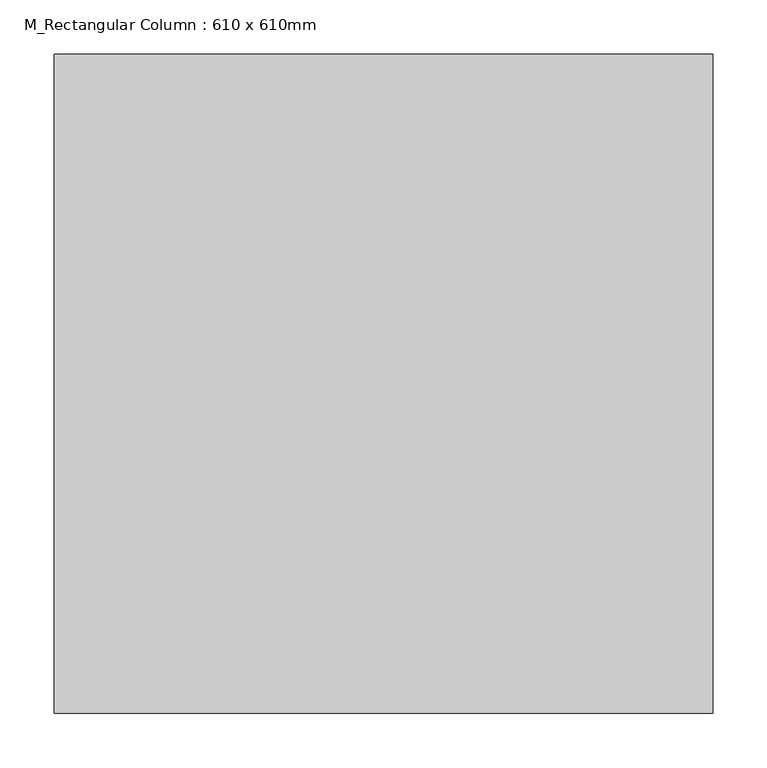
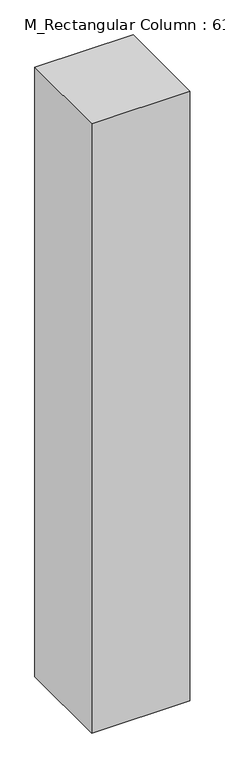
"""IFC4 building model written with IfcOpenShell, lengths in millimetres: column geometry, M_Rectangular Column : 610 x 610mm."""

import ifcopenshell
import ifcopenshell.guid

model = None  # the IFC model being written
_history = None  # IfcOwnerHistory: only IFC2X3 demands one
_inside = {}  # id of a spatial element -> (the spatial element, [elements in it])
_under = {}  # id of a project, library or spatial element -> (it, [spatial elements below it])
_declared = {}  # id of a project -> (the project, [libraries it declares])
_typed = {}  # id of a type object -> (the type object, [elements of that type])
_made_of = {}  # id of a material, layer set ... -> (it, [elements and type objects made of it])


def new_model(schema):
    """Start an empty IFC model of exactly this schema.

    Asked for "IFC4X3", IfcOpenShell would pick the latest addendum, in which some entities
    have other attributes; the version numbers below select the first issue.
    IFC2X3 requires an IfcOwnerHistory on every rooted entity: one is made here for all.
    """
    global model, _history
    if schema == "IFC4X3":
        model = ifcopenshell.file(schema_version=(4, 3, 0, 0))
    else:
        model = ifcopenshell.file(schema=schema)
    _inside.clear()
    _under.clear()
    _declared.clear()
    _typed.clear()
    _made_of.clear()
    _history = None
    if model.schema == "IFC2X3":
        org = make("IfcOrganization", Name="unknown")
        user = make(
            "IfcPersonAndOrganization",
            ThePerson=make("IfcPerson", FamilyName="unknown"),
            TheOrganization=org,
        )
        app = make(
            "IfcApplication",
            ApplicationDeveloper=org,
            Version="unknown",
            ApplicationFullName="unknown",
            ApplicationIdentifier="unknown",
        )
        _history = make(
            "IfcOwnerHistory",
            OwningUser=user,
            OwningApplication=app,
            ChangeAction="ADDED",
            CreationDate=0,
        )
    return model


def make(cls, **values):
    """One entity of the class cls with the attributes given. An attribute that is None is left unset."""
    return model.create_entity(
        cls, **{name: value for name, value in values.items() if value is not None}
    )


def rooted(cls, **values):
    """An entity with a GlobalId (a new one), such as an element, a storey or a relation."""
    return make(cls, GlobalId=ifcopenshell.guid.new(), OwnerHistory=_history, **values)


def si_unit(unit_type, name, prefix=None):
    """IfcSIUnit, for example si_unit("LENGTHUNIT", "METRE", prefix="MILLI")."""
    return make("IfcSIUnit", UnitType=unit_type, Prefix=prefix, Name=name)


def assignment(units):
    """IfcUnitAssignment: the units of a project."""
    return None if units is None else make("IfcUnitAssignment", Units=units)


def point(xyz):
    """IfcCartesianPoint."""
    return None if xyz is None else make("IfcCartesianPoint", Coordinates=xyz)


def direction(xyz):
    """IfcDirection."""
    return None if xyz is None else make("IfcDirection", DirectionRatios=xyz)


def frame(location, z_axis=None, x_axis=None):
    """IfcAxis2Placement3D, a coordinate frame: its origin and axes. An axis left out is left unset."""
    return make(
        "IfcAxis2Placement3D",
        Location=point(location),
        Axis=direction(z_axis),
        RefDirection=direction(x_axis),
    )


def origin():
    """The frame at (0, 0, 0) with its axes left unset."""
    return frame((0.0, 0.0, 0.0))


def place(relative_to, where):
    """IfcLocalPlacement: puts the frame where relative to a parent placement (None: the world)."""
    return make(
        "IfcLocalPlacement", PlacementRelTo=relative_to, RelativePlacement=where
    )


def context(
    kind, dimensions, precision=None, world=None, true_north=None, identifier=None
):
    """IfcGeometricRepresentationContext, for example the 3D "Model" context."""
    return make(
        "IfcGeometricRepresentationContext",
        ContextIdentifier=identifier,
        ContextType=kind,
        CoordinateSpaceDimension=dimensions,
        Precision=precision,
        WorldCoordinateSystem=world,
        TrueNorth=true_north,
    )


def project(units=None, contexts=None):
    """IfcProject with its units and contexts."""
    return rooted(
        "IfcProject",
        Name="project",
        RepresentationContexts=contexts,
        UnitsInContext=assignment(units),
    )


def spatial(cls, under=None, at=None, **own):
    """A site, building, storey or space (cls), placed at a placement, below another one or the project."""
    s = rooted(cls, ObjectPlacement=at, **own)
    if under is not None:
        _under.setdefault(under.id(), (under, []))[1].append(s)
    return s


def polyline(points):
    """IfcPolyline through the points."""
    return make("IfcPolyline", Points=[point(p) for p in points])


def outline(outer, holes=None, kind="AREA"):
    """IfcArbitraryClosedProfileDef: a profile drawn as a closed curve; with holes, ...WithVoids."""
    if holes is None:
        return make("IfcArbitraryClosedProfileDef", ProfileType=kind, OuterCurve=outer)
    return make(
        "IfcArbitraryProfileDefWithVoids",
        ProfileType=kind,
        OuterCurve=outer,
        InnerCurves=holes,
    )


def extrude(swept, where, along, depth):
    """IfcExtrudedAreaSolid: the profile swept, set in the frame where, extruded along a direction by depth."""
    return make(
        "IfcExtrudedAreaSolid",
        SweptArea=swept,
        Position=where,
        ExtrudedDirection=direction(along),
        Depth=depth,
    )


def shape(context_of_items, identifier, shape_type, items):
    """IfcShapeRepresentation: the items that make up one representation, for example the "Body"."""
    return make(
        "IfcShapeRepresentation",
        ContextOfItems=context_of_items,
        RepresentationIdentifier=identifier,
        RepresentationType=shape_type,
        Items=items,
    )


def source(mapping_origin, context_of_items, identifier, shape_type, items):
    """IfcRepresentationMap: a shape defined once, which mapped items show again and again."""
    return make(
        "IfcRepresentationMap",
        MappingOrigin=mapping_origin,
        MappedRepresentation=shape(context_of_items, identifier, shape_type, items),
    )


def transform(
    local_origin,
    x_axis=None,
    y_axis=None,
    z_axis=None,
    scale=None,
    scale2=None,
    scale3=None,
    uniform=True,
):
    """IfcCartesianTransformationOperator3D, or its non-uniform kind. x_axis, y_axis, z_axis: its Axis1, 2, 3."""
    if uniform:
        return make(
            "IfcCartesianTransformationOperator3D",
            Axis1=direction(x_axis),
            Axis2=direction(y_axis),
            LocalOrigin=point(local_origin),
            Scale=scale,
            Axis3=direction(z_axis),
        )
    return make(
        "IfcCartesianTransformationOperator3DnonUniform",
        Axis1=direction(x_axis),
        Axis2=direction(y_axis),
        LocalOrigin=point(local_origin),
        Scale=scale,
        Axis3=direction(z_axis),
        Scale2=scale2,
        Scale3=scale3,
    )


def mapped(mapping_source, mapping_target):
    """IfcMappedItem: shows the shape of a source again, moved by a transform."""
    return make(
        "IfcMappedItem", MappingSource=mapping_source, MappingTarget=mapping_target
    )


def made_of(thing, what):
    """Note that an element or type object is made of a material, layer set ...; save() writes the relation."""
    if what is not None:
        _made_of.setdefault(what.id(), (what, []))[1].append(thing)
    return thing


def element(
    cls,
    number,
    at=None,
    inside=None,
    cuts=None,
    type_object=None,
    material=None,
    context=None,
    identifier="Body",
    shape_type=None,
    held_by="IfcProductDefinitionShape",
    body=None,
    shapes=None,
    **own,
):
    """One element of the class cls, such as IfcWall. Its Tag is "e" and its number.

    at: its placement. inside: the storey or other place that contains it. cuts: it is an
    opening in that element (IfcRelVoidsElement). A single representation is given by context,
    identifier, shape_type and body (its items); several are given by shapes. held_by: the class
    of the entity that holds the representations. save() writes the other relations.
    """
    e = rooted(cls, Tag="e%d" % number, ObjectPlacement=at, **own)
    if body is not None:
        shapes = [shape(context, identifier, shape_type, body)]
    if shapes is not None:
        e.Representation = make(held_by, Representations=shapes)
    if inside is not None:
        _inside.setdefault(inside.id(), (inside, []))[1].append(e)
    if cuts is not None:
        rooted(
            "IfcRelVoidsElement", RelatingBuildingElement=cuts, RelatedOpeningElement=e
        )
    if type_object is not None:
        _typed.setdefault(type_object.id(), (type_object, []))[1].append(e)
    return made_of(e, material)


def aggregate(whole, parts):
    """IfcRelAggregates: a whole, such as a stair, and the parts it consists of."""
    return rooted("IfcRelAggregates", RelatingObject=whole, RelatedObjects=parts)


def save(model, path):
    """Write the relations noted so far, then the file.

    IfcRelAggregates (storeys below a building ...), IfcRelContainedInSpatialStructure (elements
    in a storey), IfcRelDefinesByType, IfcRelAssociatesMaterial and IfcRelDeclares: one each for
    every whole, place, type object, material and project.
    """
    for whole, parts in _under.values():
        aggregate(whole, parts)
    for where, things in _inside.values():
        rooted(
            "IfcRelContainedInSpatialStructure",
            RelatedElements=things,
            RelatingStructure=where,
        )
    for kind, things in _typed.values():
        rooted("IfcRelDefinesByType", RelatedObjects=things, RelatingType=kind)
    for what, things in _made_of.values():
        rooted("IfcRelAssociatesMaterial", RelatedObjects=things, RelatingMaterial=what)
    for by, libraries in _declared.values():
        rooted("IfcRelDeclares", RelatingContext=by, RelatedDefinitions=libraries)
    model.write(path)


def m_rectangular_column_610_x_610mm_0f1cb55a(model_context):
    return source(origin(), model_context, "Body", "SweptSolid", [
        extrude(outline(polyline([(305.0, 305.0), (305.0, -305.0), (-305.0, -305.0), (-305.0, 305.0), (305.0, 305.0)])), frame((0.0, 0.0, 23997.5633081), z_axis=(0.0, 0.0, 1.0), x_axis=(1.0, 0.0, 0.0)), (0.0, 0.0, 1.0), 4000.0),
    ])


if __name__ == "__main__":
    model = new_model("IFC4")
    model_context = context("Model", 3, world=origin())
    ifc_project = project(units=[si_unit("LENGTHUNIT", "METRE", prefix="MILLI")], contexts=[model_context])
    site = spatial("IfcSite", under=ifc_project)
    building = spatial("IfcBuilding", under=site)
    placement = place(None, origin())
    m_rectangular_column_610_x_610mm_shape = m_rectangular_column_610_x_610mm_0f1cb55a(model_context)
    element("IfcColumn", 1, ObjectType="M_Rectangular Column : 610 x 610mm", at=placement, inside=building, context=model_context, shape_type="MappedRepresentation", body=[
        mapped(m_rectangular_column_610_x_610mm_shape, transform((0.0, 0.0, 0.0), x_axis=(1.0, 0.0, 0.0), y_axis=(0.0, 1.0, 0.0), z_axis=(0.0, 0.0, 1.0))),
    ])
    save(model, "model.ifc")
